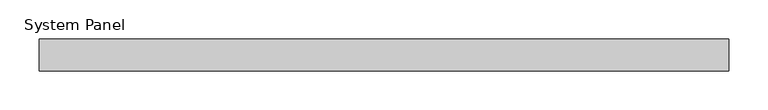
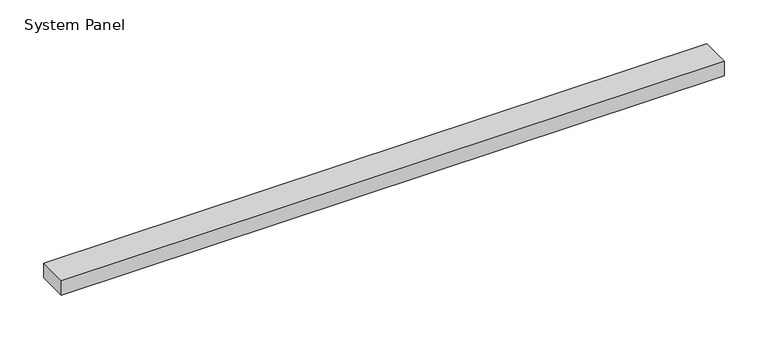
"""IFC4 building model written with IfcOpenShell, lengths in millimetres: plate geometry, System Panel."""

from ifc_helpers import new_model, si_unit, origin, origin_with_axes, place, context, project, spatial, polyline, outline, extrude, source, transform, mapped, element, save


def system_panel_34ffbb6c(model_context):
    return source(origin(), model_context, "Body", "SweptSolid", [
        extrude(outline(polyline([(436.6666667, -54.0), (-436.6666667, -54.0), (-436.6666667, -14.0), (436.6666667, -14.0), (436.6666667, -54.0)])), origin_with_axes(), (0.0, 0.0, 1.0), 20.0),
    ])


if __name__ == "__main__":
    model = new_model("IFC4")
    model_context = context("Model", 3, world=origin())
    ifc_project = project(units=[si_unit("LENGTHUNIT", "METRE", prefix="MILLI")], contexts=[model_context])
    site = spatial("IfcSite", under=ifc_project)
    building = spatial("IfcBuilding", under=site)
    placement = place(None, origin())
    system_panel_shape = system_panel_34ffbb6c(model_context)
    element("IfcPlate", 1, ObjectType="System Panel", at=placement, inside=building, context=model_context, shape_type="MappedRepresentation", body=[
        mapped(system_panel_shape, transform((0.0, 0.0, 0.0), x_axis=(1.0, 0.0, 0.0), y_axis=(0.0, 1.0, 0.0), z_axis=(0.0, 0.0, 1.0))),
    ])
    save(model, "model.ifc")
